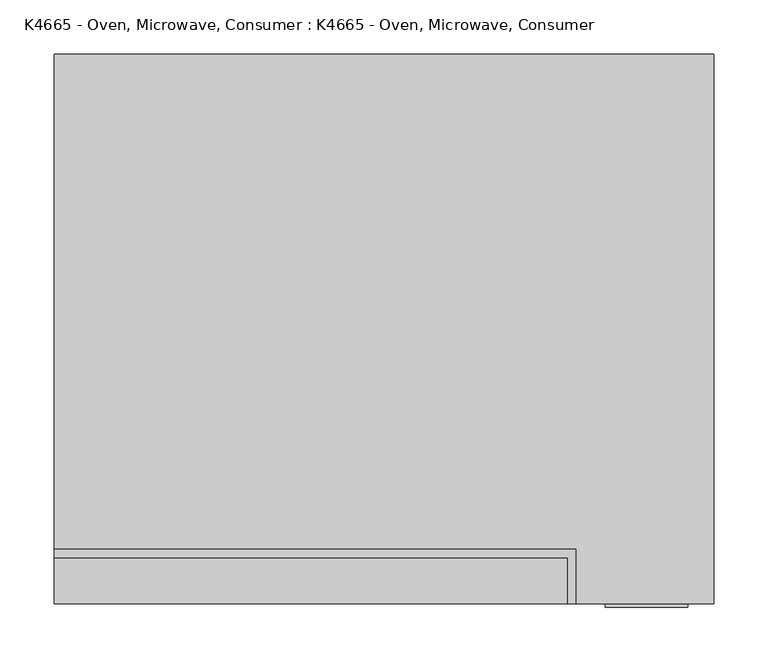
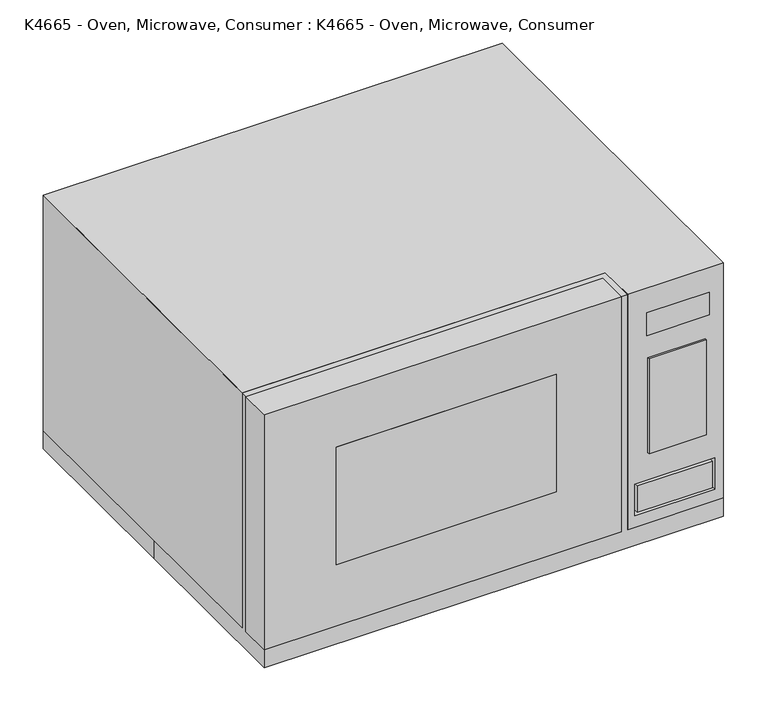
"""IFC4 building model written with IfcOpenShell, lengths in millimetres: proxy geometry, K4665 - Oven, Microwave, Consumer : K4665 - Oven, Microwave, Consumer."""

from ifc_helpers import new_model, si_unit, point, frame, frame_2d, origin, origin_with_axes, place, context, project, spatial, polyline, circle_curve, trimmed, segment, composite_curve, outline, extrude, faceted_brep, source, transform, mapped, element, save


def k4665_oven_microwave_consumer_k4665_oven_microwave_consumer_64c7f814(model_context):
    return source(origin(), model_context, "Body", "SolidModel", [
        extrude(outline(polyline([(280.7775556, -257.175), (204.5775556, -257.175), (204.5775556, -254.0), (280.7775556, -254.0), (280.7775556, -257.175)])), frame((0.0, 0.0, 124.244507), z_axis=(0.0, 0.0, 1.0), x_axis=(1.0, 0.0, 0.0)), (0.0, 0.0, 1.0), 133.35),
        extrude(outline(polyline([(286.1226613, -254.0), (203.5726613, -254.0), (203.5726613, -247.65), (286.1226613, -247.65), (286.1226613, -254.0)])), frame((0.0, 0.0, 288.87213), z_axis=(0.0, 0.0, 1.0), x_axis=(1.0, 0.0, 0.0)), (0.0, 0.0, 1.0), 31.75),
        extrude(outline(polyline([(82.9390055, -254.0), (-209.1609945, -254.0), (-209.1609945, -247.65), (82.9390055, -247.65), (82.9390055, -254.0)])), frame((0.0, 0.0, 111.4568552), z_axis=(0.0, 0.0, 1.0), x_axis=(1.0, 0.0, 0.0)), (0.0, 0.0, 1.0), 165.1),
        faceted_brep([(82.9390055, -235.0626171, 276.5568552), (-209.1609945, -235.0626171, 276.5568552), (-209.1609945, -235.0626171, 111.4568552), (82.9390055, -235.0626171, 111.4568552), (82.9390055, -254.0, 276.5568552), (-209.1609945, -254.0, 276.5568552), (-209.1609945, -254.0, 111.4568552), (82.9390055, -254.0, 111.4568552), (-304.8, -211.6756803, 355.6), (-304.8, -254.0, 355.6), (169.1942849, -254.0, 355.6), (169.1942849, -211.6756803, 355.6), (-304.8, -211.6756803, 25.4), (169.1942849, -211.6756803, 25.4), (169.1942849, -254.0, 25.4), (-304.8, -254.0, 25.4)], [[[0, 1, 2, 3]], [[1, 0, 4, 5]], [[2, 1, 5, 6]], [[3, 2, 6, 7]], [[0, 3, 7, 4]], [[8, 9, 10, 11]], [[12, 13, 14, 15]], [[9, 8, 12, 15]], [[10, 9, 15, 14], [5, 4, 7, 6]], [[11, 10, 14, 13]], [[8, 11, 13, 12]]]),
        extrude(outline(polyline([(-289.0486762, -203.2), (155.1090947, -203.2), (155.1090947, -211.6756803), (-289.0486762, -211.6756803), (-289.0486762, -203.2)])), frame((0.0, 0.0, 38.5670061), z_axis=(0.0, 0.0, 1.0), x_axis=(1.0, 0.0, 0.0)), (0.0, 0.0, 1.0), 304.3329939),
        faceted_brep([(286.1226613, -235.0626171, 320.62213), (203.5726613, -235.0626171, 320.62213), (203.5726613, -235.0626171, 288.87213), (286.1226613, -235.0626171, 288.87213), (286.1226613, -254.0, 320.62213), (203.5726613, -254.0, 320.62213), (203.5726613, -254.0, 288.87213), (286.1226613, -254.0, 288.87213), (293.5598712, -235.0626171, 41.6136485), (293.5598712, -235.0626171, 85.6060767), (187.4796019, -235.0626171, 85.6060767), (187.4796019, -235.0626171, 41.6136485), (190.7752155, -235.0626171, 82.3104632), (290.2642577, -235.0626171, 82.3104632), (290.2642577, -235.0626171, 44.909262), (190.7752155, -235.0626171, 44.909262), (187.4796019, -254.0, 85.6060767), (293.5598712, -254.0, 85.6060767), (190.7752155, -254.0, 82.3104632), (290.2642577, -254.0, 82.3104632), (290.2642577, -254.0, 44.909262), (190.7752155, -254.0, 44.909262), (187.4796019, -254.0, 41.6136485), (293.5598712, -254.0, 41.6136485), (304.8, 254.0, 355.6), (-304.8, 254.0, 355.6), (-304.8, -203.2, 355.6), (177.8, -203.2, 355.6), (177.8, -254.0, 355.6), (304.8, -254.0, 355.6), (304.8, 254.0, 25.4), (304.8, -254.0, 25.4), (177.8, -254.0, 25.4), (177.8, -203.2, 25.4), (-304.8, -203.2, 25.4), (-304.8, 254.0, 25.4)], [[[0, 1, 2, 3]], [[1, 0, 4, 5]], [[2, 1, 5, 6]], [[3, 2, 6, 7]], [[0, 3, 7, 4]], [[8, 9, 10, 11], [12, 13, 14, 15]], [[16, 10, 9, 17]], [[13, 12, 18, 19]], [[15, 14, 20, 21]], [[8, 11, 22, 23]], [[11, 10, 16, 22]], [[12, 15, 21, 18]], [[14, 13, 19, 20]], [[9, 8, 23, 17]], [[24, 25, 26, 27, 28, 29]], [[30, 31, 32, 33, 34, 35]], [[25, 24, 30, 35]], [[26, 25, 35, 34]], [[27, 26, 34, 33]], [[28, 27, 33, 32]], [[29, 28, 32, 31], [5, 4, 7, 6], [23, 22, 16, 17]], [[19, 18, 21, 20]], [[24, 29, 31, 30]]]),
        faceted_brep([(-304.8, 254.0, 355.6), (-304.8, 0.0, 355.6), (-304.8, -254.0, 355.6), (304.8, -254.0, 355.6), (304.8, 254.0, 355.6), (-304.8, 254.0, 0.0), (304.8, 254.0, 0.0), (304.8, -254.0, 0.0), (-304.8, -254.0, 0.0), (-304.8, 0.0, 0.0), (-209.1609945, -254.0, 276.5568552), (82.9390055, -254.0, 276.5568552), (82.9390055, -254.0, 111.4568552), (-209.1609945, -254.0, 111.4568552), (203.5726613, -254.0, 320.62213), (286.1226613, -254.0, 320.62213), (286.1226613, -254.0, 288.87213), (203.5726613, -254.0, 288.87213), (293.5598712, -254.0, 41.6136485), (187.4796019, -254.0, 41.6136485), (187.4796019, -254.0, 85.6060767), (293.5598712, -254.0, 85.6060767), (290.2642577, -254.0, 82.3104632), (190.7752155, -254.0, 82.3104632), (190.7752155, -254.0, 44.909262), (290.2642577, -254.0, 44.909262), (82.9390055, -235.0626171, 276.5568552), (-209.1609945, -235.0626171, 276.5568552), (-209.1609945, -235.0626171, 111.4568552), (82.9390055, -235.0626171, 111.4568552), (286.1226613, -235.0626171, 320.62213), (203.5726613, -235.0626171, 320.62213), (203.5726613, -235.0626171, 288.87213), (286.1226613, -235.0626171, 288.87213), (293.5598712, -235.0626171, 41.6136485), (293.5598712, -235.0626171, 85.6060767), (187.4796019, -235.0626171, 85.6060767), (187.4796019, -235.0626171, 41.6136485), (190.7752155, -235.0626171, 82.3104632), (290.2642577, -235.0626171, 82.3104632), (290.2642577, -235.0626171, 44.909262), (190.7752155, -235.0626171, 44.909262)], [[[0, 1, 2, 3, 4]], [[5, 6, 7, 8, 9]], [[1, 0, 5, 9]], [[2, 1, 9, 8]], [[3, 2, 8, 7], [10, 11, 12, 13], [14, 15, 16, 17], [18, 19, 20, 21]], [[22, 23, 24, 25]], [[4, 3, 7, 6]], [[0, 4, 6, 5]], [[26, 27, 28, 29]], [[27, 26, 11, 10]], [[28, 27, 10, 13]], [[29, 28, 13, 12]], [[26, 29, 12, 11]], [[30, 31, 32, 33]], [[31, 30, 15, 14]], [[32, 31, 14, 17]], [[33, 32, 17, 16]], [[30, 33, 16, 15]], [[34, 35, 36, 37], [38, 39, 40, 41]], [[20, 36, 35, 21]], [[39, 38, 23, 22]], [[41, 40, 25, 24]], [[34, 37, 19, 18]], [[37, 36, 20, 19]], [[38, 41, 24, 23]], [[40, 39, 22, 25]], [[35, 34, 18, 21]]]),
        extrude(outline(composite_curve([segment(trimmed(circle_curve(frame_2d((232.6731382, -121.4916445)), 25.4), [point((258.0731382, -121.4916445))], [point((207.2731382, -121.4916445))], False, "CARTESIAN"), True, "CONTINUOUS"), segment(trimmed(circle_curve(frame_2d((232.6731382, -121.4916445)), 25.4), [point((207.2731382, -121.4916445))], [point((258.0731382, -121.4916445))], False, "CARTESIAN"), True, "CONTINUOUS")], self_intersect=False)), origin_with_axes(), (0.0, 0.0, 1.0), 25.4),
        extrude(outline(composite_curve([segment(trimmed(circle_curve(frame_2d((-232.6731382, -121.4916445)), 25.4), [point((-258.0731382, -121.4916445))], [point((-207.2731382, -121.4916445))], False, "CARTESIAN"), True, "CONTINUOUS"), segment(trimmed(circle_curve(frame_2d((-232.6731382, -121.4916445)), 25.4), [point((-207.2731382, -121.4916445))], [point((-258.0731382, -121.4916445))], False, "CARTESIAN"), True, "CONTINUOUS")], self_intersect=False)), origin_with_axes(), (0.0, 0.0, 1.0), 25.4),
        extrude(outline(composite_curve([segment(trimmed(circle_curve(frame_2d((232.6731382, 183.3083555)), 25.4), [point((258.0731382, 183.3083555))], [point((207.2731382, 183.3083555))], False, "CARTESIAN"), True, "CONTINUOUS"), segment(trimmed(circle_curve(frame_2d((232.6731382, 183.3083555)), 25.4), [point((207.2731382, 183.3083555))], [point((258.0731382, 183.3083555))], False, "CARTESIAN"), True, "CONTINUOUS")], self_intersect=False)), origin_with_axes(), (0.0, 0.0, 1.0), 25.4),
        extrude(outline(composite_curve([segment(trimmed(circle_curve(frame_2d((-232.6731382, 183.3083555)), 25.4), [point((-258.0731382, 183.3083555))], [point((-207.2731382, 183.3083555))], False, "CARTESIAN"), True, "CONTINUOUS"), segment(trimmed(circle_curve(frame_2d((-232.6731382, 183.3083555)), 25.4), [point((-207.2731382, 183.3083555))], [point((-258.0731382, 183.3083555))], False, "CARTESIAN"), True, "CONTINUOUS")], self_intersect=False)), origin_with_axes(), (0.0, 0.0, 1.0), 25.4),
    ])


if __name__ == "__main__":
    model = new_model("IFC4")
    model_context = context("Model", 3, world=origin())
    ifc_project = project(units=[si_unit("LENGTHUNIT", "METRE", prefix="MILLI")], contexts=[model_context])
    site = spatial("IfcSite", under=ifc_project)
    building = spatial("IfcBuilding", under=site)
    placement = place(None, origin())
    k4665_oven_microwave_consumer_k4665_oven_microwave_consumer_shape = k4665_oven_microwave_consumer_k4665_oven_microwave_consumer_64c7f814(model_context)
    element("IfcBuildingElementProxy", 1, Name="K4665 - Oven, Microwave, Consumer : K4665 - Oven, Microwave, Consumer", ObjectType="K4665 - Oven, Microwave, Consumer : K4665 - Oven, Microwave, Consumer", at=placement, inside=building, context=model_context, shape_type="MappedRepresentation", body=[
        mapped(k4665_oven_microwave_consumer_k4665_oven_microwave_consumer_shape, transform((0.0, 0.0, 0.0), x_axis=(1.0, 0.0, 0.0), y_axis=(0.0, 1.0, 0.0), z_axis=(0.0, 0.0, 1.0))),
    ])
    save(model, "model.ifc")
